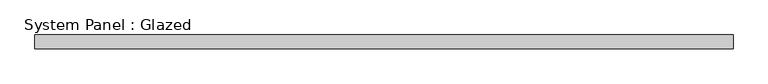
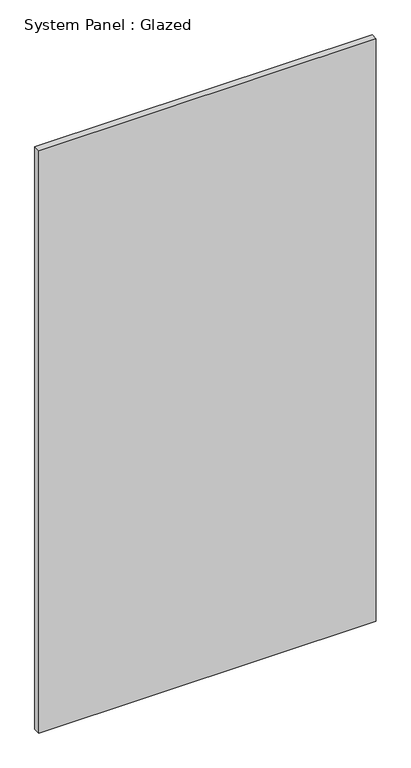
"""IFC4 building model written with IfcOpenShell, lengths in millimetres: plate geometry, System Panel : Glazed."""

from ifc_helpers import new_model, si_unit, origin, origin_with_axes, place, context, project, spatial, polyline, outline, extrude, source, transform, mapped, element, save


def system_panel_glazed_cbe644f7(model_context):
    return source(origin(), model_context, "Body", "SweptSolid", [
        extrude(outline(polyline([(637.5, 24.5), (-637.5, 24.5), (-637.5, 49.5), (637.5, 49.5), (637.5, 24.5)])), origin_with_axes(), (0.0, 0.0, 1.0), 2325.0),
    ])


if __name__ == "__main__":
    model = new_model("IFC4")
    model_context = context("Model", 3, world=origin())
    ifc_project = project(units=[si_unit("LENGTHUNIT", "METRE", prefix="MILLI")], contexts=[model_context])
    site = spatial("IfcSite", under=ifc_project)
    building = spatial("IfcBuilding", under=site)
    placement = place(None, origin())
    system_panel_glazed_shape = system_panel_glazed_cbe644f7(model_context)
    element("IfcPlate", 1, ObjectType="System Panel : Glazed", at=placement, inside=building, context=model_context, shape_type="MappedRepresentation", body=[
        mapped(system_panel_glazed_shape, transform((0.0, 0.0, 0.0), x_axis=(1.0, 0.0, 0.0), y_axis=(0.0, 1.0, 0.0), z_axis=(0.0, 0.0, 1.0))),
    ])
    save(model, "model.ifc")
